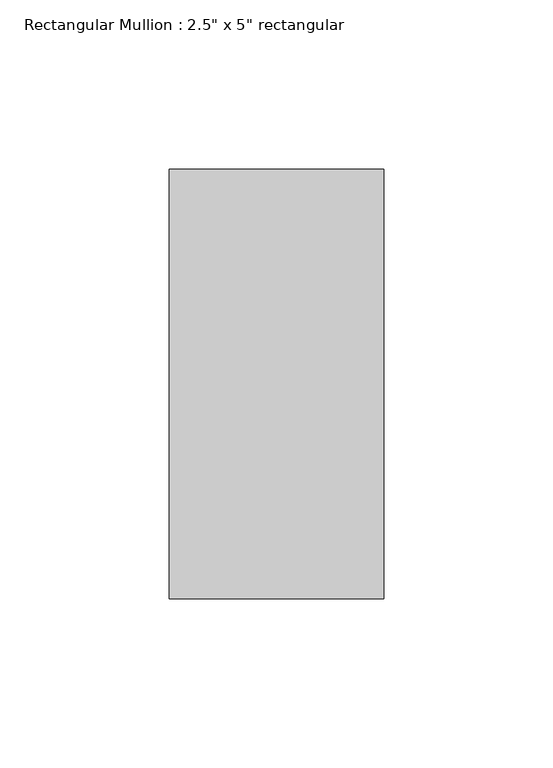
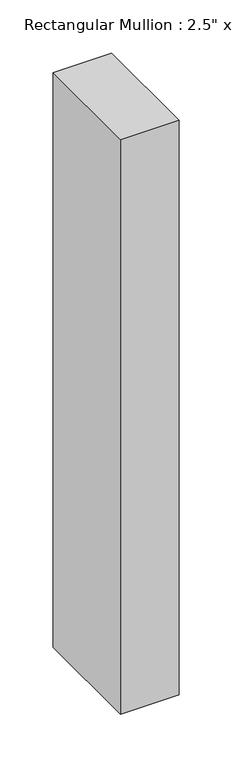
"""IFC4 building model written with IfcOpenShell, lengths in millimetres: member geometry."""

import ifcopenshell
import ifcopenshell.guid

model = None  # the IFC model being written
_history = None  # IfcOwnerHistory: only IFC2X3 demands one
_inside = {}  # id of a spatial element -> (the spatial element, [elements in it])
_under = {}  # id of a project, library or spatial element -> (it, [spatial elements below it])
_declared = {}  # id of a project -> (the project, [libraries it declares])
_typed = {}  # id of a type object -> (the type object, [elements of that type])
_made_of = {}  # id of a material, layer set ... -> (it, [elements and type objects made of it])


def new_model(schema):
    """Start an empty IFC model of exactly this schema.

    Asked for "IFC4X3", IfcOpenShell would pick the latest addendum, in which some entities
    have other attributes; the version numbers below select the first issue.
    IFC2X3 requires an IfcOwnerHistory on every rooted entity: one is made here for all.
    """
    global model, _history
    if schema == "IFC4X3":
        model = ifcopenshell.file(schema_version=(4, 3, 0, 0))
    else:
        model = ifcopenshell.file(schema=schema)
    _inside.clear()
    _under.clear()
    _declared.clear()
    _typed.clear()
    _made_of.clear()
    _history = None
    if model.schema == "IFC2X3":
        org = make("IfcOrganization", Name="unknown")
        user = make(
            "IfcPersonAndOrganization",
            ThePerson=make("IfcPerson", FamilyName="unknown"),
            TheOrganization=org,
        )
        app = make(
            "IfcApplication",
            ApplicationDeveloper=org,
            Version="unknown",
            ApplicationFullName="unknown",
            ApplicationIdentifier="unknown",
        )
        _history = make(
            "IfcOwnerHistory",
            OwningUser=user,
            OwningApplication=app,
            ChangeAction="ADDED",
            CreationDate=0,
        )
    return model


def make(cls, **values):
    """One entity of the class cls with the attributes given. An attribute that is None is left unset."""
    return model.create_entity(
        cls, **{name: value for name, value in values.items() if value is not None}
    )


def rooted(cls, **values):
    """An entity with a GlobalId (a new one), such as an element, a storey or a relation."""
    return make(cls, GlobalId=ifcopenshell.guid.new(), OwnerHistory=_history, **values)


def si_unit(unit_type, name, prefix=None):
    """IfcSIUnit, for example si_unit("LENGTHUNIT", "METRE", prefix="MILLI")."""
    return make("IfcSIUnit", UnitType=unit_type, Prefix=prefix, Name=name)


def assignment(units):
    """IfcUnitAssignment: the units of a project."""
    return None if units is None else make("IfcUnitAssignment", Units=units)


def point(xyz):
    """IfcCartesianPoint."""
    return None if xyz is None else make("IfcCartesianPoint", Coordinates=xyz)


def direction(xyz):
    """IfcDirection."""
    return None if xyz is None else make("IfcDirection", DirectionRatios=xyz)


def frame(location, z_axis=None, x_axis=None):
    """IfcAxis2Placement3D, a coordinate frame: its origin and axes. An axis left out is left unset."""
    return make(
        "IfcAxis2Placement3D",
        Location=point(location),
        Axis=direction(z_axis),
        RefDirection=direction(x_axis),
    )


def origin():
    """The frame at (0, 0, 0) with its axes left unset."""
    return frame((0.0, 0.0, 0.0))


def place(relative_to, where):
    """IfcLocalPlacement: puts the frame where relative to a parent placement (None: the world)."""
    return make(
        "IfcLocalPlacement", PlacementRelTo=relative_to, RelativePlacement=where
    )


def context(
    kind, dimensions, precision=None, world=None, true_north=None, identifier=None
):
    """IfcGeometricRepresentationContext, for example the 3D "Model" context."""
    return make(
        "IfcGeometricRepresentationContext",
        ContextIdentifier=identifier,
        ContextType=kind,
        CoordinateSpaceDimension=dimensions,
        Precision=precision,
        WorldCoordinateSystem=world,
        TrueNorth=true_north,
    )


def project(units=None, contexts=None):
    """IfcProject with its units and contexts."""
    return rooted(
        "IfcProject",
        Name="project",
        RepresentationContexts=contexts,
        UnitsInContext=assignment(units),
    )


def spatial(cls, under=None, at=None, **own):
    """A site, building, storey or space (cls), placed at a placement, below another one or the project."""
    s = rooted(cls, ObjectPlacement=at, **own)
    if under is not None:
        _under.setdefault(under.id(), (under, []))[1].append(s)
    return s


def polyline(points):
    """IfcPolyline through the points."""
    return make("IfcPolyline", Points=[point(p) for p in points])


def outline(outer, holes=None, kind="AREA"):
    """IfcArbitraryClosedProfileDef: a profile drawn as a closed curve; with holes, ...WithVoids."""
    if holes is None:
        return make("IfcArbitraryClosedProfileDef", ProfileType=kind, OuterCurve=outer)
    return make(
        "IfcArbitraryProfileDefWithVoids",
        ProfileType=kind,
        OuterCurve=outer,
        InnerCurves=holes,
    )


def extrude(swept, where, along, depth):
    """IfcExtrudedAreaSolid: the profile swept, set in the frame where, extruded along a direction by depth."""
    return make(
        "IfcExtrudedAreaSolid",
        SweptArea=swept,
        Position=where,
        ExtrudedDirection=direction(along),
        Depth=depth,
    )


def shape(context_of_items, identifier, shape_type, items):
    """IfcShapeRepresentation: the items that make up one representation, for example the "Body"."""
    return make(
        "IfcShapeRepresentation",
        ContextOfItems=context_of_items,
        RepresentationIdentifier=identifier,
        RepresentationType=shape_type,
        Items=items,
    )


def source(mapping_origin, context_of_items, identifier, shape_type, items):
    """IfcRepresentationMap: a shape defined once, which mapped items show again and again."""
    return make(
        "IfcRepresentationMap",
        MappingOrigin=mapping_origin,
        MappedRepresentation=shape(context_of_items, identifier, shape_type, items),
    )


def transform(
    local_origin,
    x_axis=None,
    y_axis=None,
    z_axis=None,
    scale=None,
    scale2=None,
    scale3=None,
    uniform=True,
):
    """IfcCartesianTransformationOperator3D, or its non-uniform kind. x_axis, y_axis, z_axis: its Axis1, 2, 3."""
    if uniform:
        return make(
            "IfcCartesianTransformationOperator3D",
            Axis1=direction(x_axis),
            Axis2=direction(y_axis),
            LocalOrigin=point(local_origin),
            Scale=scale,
            Axis3=direction(z_axis),
        )
    return make(
        "IfcCartesianTransformationOperator3DnonUniform",
        Axis1=direction(x_axis),
        Axis2=direction(y_axis),
        LocalOrigin=point(local_origin),
        Scale=scale,
        Axis3=direction(z_axis),
        Scale2=scale2,
        Scale3=scale3,
    )


def mapped(mapping_source, mapping_target):
    """IfcMappedItem: shows the shape of a source again, moved by a transform."""
    return make(
        "IfcMappedItem", MappingSource=mapping_source, MappingTarget=mapping_target
    )


def made_of(thing, what):
    """Note that an element or type object is made of a material, layer set ...; save() writes the relation."""
    if what is not None:
        _made_of.setdefault(what.id(), (what, []))[1].append(thing)
    return thing


def element(
    cls,
    number,
    at=None,
    inside=None,
    cuts=None,
    type_object=None,
    material=None,
    context=None,
    identifier="Body",
    shape_type=None,
    held_by="IfcProductDefinitionShape",
    body=None,
    shapes=None,
    **own,
):
    """One element of the class cls, such as IfcWall. Its Tag is "e" and its number.

    at: its placement. inside: the storey or other place that contains it. cuts: it is an
    opening in that element (IfcRelVoidsElement). A single representation is given by context,
    identifier, shape_type and body (its items); several are given by shapes. held_by: the class
    of the entity that holds the representations. save() writes the other relations.
    """
    e = rooted(cls, Tag="e%d" % number, ObjectPlacement=at, **own)
    if body is not None:
        shapes = [shape(context, identifier, shape_type, body)]
    if shapes is not None:
        e.Representation = make(held_by, Representations=shapes)
    if inside is not None:
        _inside.setdefault(inside.id(), (inside, []))[1].append(e)
    if cuts is not None:
        rooted(
            "IfcRelVoidsElement", RelatingBuildingElement=cuts, RelatedOpeningElement=e
        )
    if type_object is not None:
        _typed.setdefault(type_object.id(), (type_object, []))[1].append(e)
    return made_of(e, material)


def aggregate(whole, parts):
    """IfcRelAggregates: a whole, such as a stair, and the parts it consists of."""
    return rooted("IfcRelAggregates", RelatingObject=whole, RelatedObjects=parts)


def save(model, path):
    """Write the relations noted so far, then the file.

    IfcRelAggregates (storeys below a building ...), IfcRelContainedInSpatialStructure (elements
    in a storey), IfcRelDefinesByType, IfcRelAssociatesMaterial and IfcRelDeclares: one each for
    every whole, place, type object, material and project.
    """
    for whole, parts in _under.values():
        aggregate(whole, parts)
    for where, things in _inside.values():
        rooted(
            "IfcRelContainedInSpatialStructure",
            RelatedElements=things,
            RelatingStructure=where,
        )
    for kind, things in _typed.values():
        rooted("IfcRelDefinesByType", RelatedObjects=things, RelatingType=kind)
    for what, things in _made_of.values():
        rooted("IfcRelAssociatesMaterial", RelatedObjects=things, RelatingMaterial=what)
    for by, libraries in _declared.values():
        rooted("IfcRelDeclares", RelatingContext=by, RelatedDefinitions=libraries)
    model.write(path)


def member_3ddc1d7c(model_context):
    return source(origin(), model_context, "Body", "SweptSolid", [
        extrude(outline(polyline([(31.75, 63.5), (31.75, -63.5), (-31.75, -63.5), (-31.75, 63.5), (31.75, 63.5)])), frame((0.0, 0.0, -660.3700198), z_axis=(0.0, 0.0, 1.0), x_axis=(1.0, 0.0, 0.0)), (0.0, 0.0, 1.0), 660.3700198),
    ])


if __name__ == "__main__":
    model = new_model("IFC4")
    model_context = context("Model", 3, world=origin())
    ifc_project = project(units=[si_unit("LENGTHUNIT", "METRE", prefix="MILLI")], contexts=[model_context])
    site = spatial("IfcSite", under=ifc_project)
    building = spatial("IfcBuilding", under=site)
    placement = place(None, origin())
    member_shape = member_3ddc1d7c(model_context)
    element("IfcMember", 1, ObjectType="Rectangular Mullion : 2.5\" x 5\" rectangular", at=placement, inside=building, context=model_context, shape_type="MappedRepresentation", body=[
        mapped(member_shape, transform((0.0, 0.0, 0.0), x_axis=(1.0, 0.0, 0.0), y_axis=(0.0, 1.0, 0.0), z_axis=(0.0, 0.0, 1.0))),
    ])
    save(model, "model.ifc")
